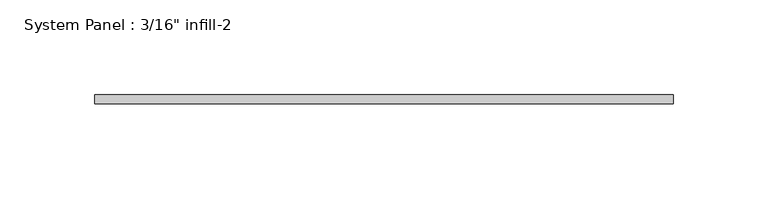
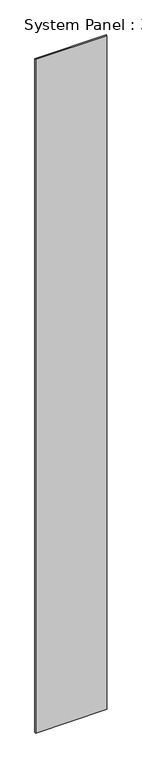
"""IFC4 building model written with IfcOpenShell, lengths in millimetres: plate geometry."""

from ifc_helpers import new_model, si_unit, origin, origin_with_axes, place, context, project, spatial, polyline, outline, extrude, source, transform, mapped, element, save


def plate_11fc7c2a(model_context):
    return source(origin(), model_context, "Body", "SweptSolid", [
        extrude(outline(polyline([(152.4, 0.0992188), (-152.4, 0.0992188), (-152.4, 4.8617188), (152.4, 4.8617188), (152.4, 0.0992188)])), origin_with_axes(), (0.0, 0.0, 1.0), 3048.0),
    ])


if __name__ == "__main__":
    model = new_model("IFC4")
    model_context = context("Model", 3, world=origin())
    ifc_project = project(units=[si_unit("LENGTHUNIT", "METRE", prefix="MILLI")], contexts=[model_context])
    site = spatial("IfcSite", under=ifc_project)
    building = spatial("IfcBuilding", under=site)
    placement = place(None, origin())
    plate_shape = plate_11fc7c2a(model_context)
    element("IfcPlate", 1, ObjectType="System Panel : 3/16\" infill-2", at=placement, inside=building, context=model_context, shape_type="MappedRepresentation", body=[
        mapped(plate_shape, transform((0.0, 0.0, 0.0), x_axis=(1.0, 0.0, 0.0), y_axis=(0.0, 1.0, 0.0), z_axis=(0.0, 0.0, 1.0))),
    ])
    save(model, "model.ifc")
